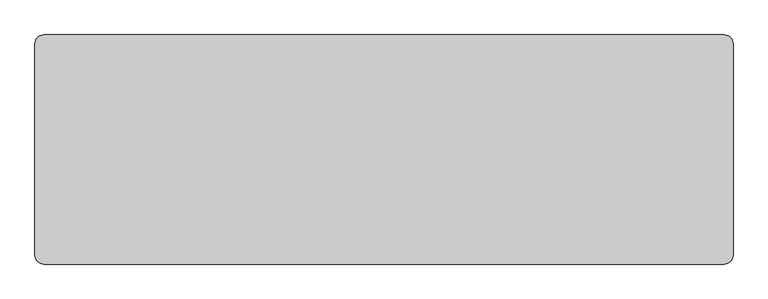
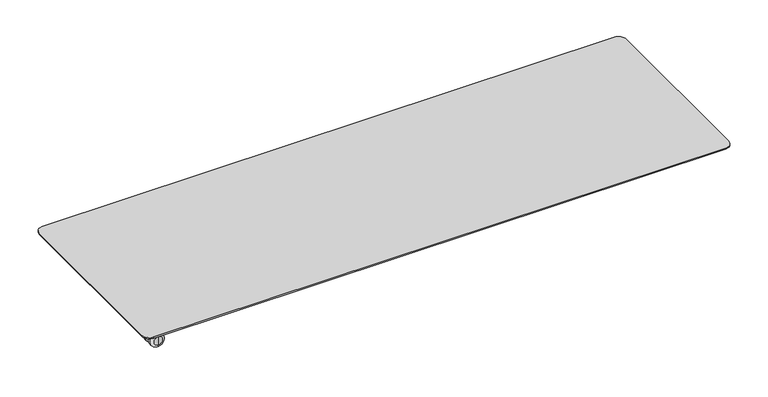
"""IFC4 building model written with IfcOpenShell, lengths in millimetres: furniture geometry."""

import ifcopenshell
import ifcopenshell.guid

model = None  # the IFC model being written
_history = None  # IfcOwnerHistory: only IFC2X3 demands one
_inside = {}  # id of a spatial element -> (the spatial element, [elements in it])
_under = {}  # id of a project, library or spatial element -> (it, [spatial elements below it])
_declared = {}  # id of a project -> (the project, [libraries it declares])
_typed = {}  # id of a type object -> (the type object, [elements of that type])
_made_of = {}  # id of a material, layer set ... -> (it, [elements and type objects made of it])


def new_model(schema):
    """Start an empty IFC model of exactly this schema.

    Asked for "IFC4X3", IfcOpenShell would pick the latest addendum, in which some entities
    have other attributes; the version numbers below select the first issue.
    IFC2X3 requires an IfcOwnerHistory on every rooted entity: one is made here for all.
    """
    global model, _history
    if schema == "IFC4X3":
        model = ifcopenshell.file(schema_version=(4, 3, 0, 0))
    else:
        model = ifcopenshell.file(schema=schema)
    _inside.clear()
    _under.clear()
    _declared.clear()
    _typed.clear()
    _made_of.clear()
    _history = None
    if model.schema == "IFC2X3":
        org = make("IfcOrganization", Name="unknown")
        user = make(
            "IfcPersonAndOrganization",
            ThePerson=make("IfcPerson", FamilyName="unknown"),
            TheOrganization=org,
        )
        app = make(
            "IfcApplication",
            ApplicationDeveloper=org,
            Version="unknown",
            ApplicationFullName="unknown",
            ApplicationIdentifier="unknown",
        )
        _history = make(
            "IfcOwnerHistory",
            OwningUser=user,
            OwningApplication=app,
            ChangeAction="ADDED",
            CreationDate=0,
        )
    return model


def make(cls, **values):
    """One entity of the class cls with the attributes given. An attribute that is None is left unset."""
    return model.create_entity(
        cls, **{name: value for name, value in values.items() if value is not None}
    )


def rooted(cls, **values):
    """An entity with a GlobalId (a new one), such as an element, a storey or a relation."""
    return make(cls, GlobalId=ifcopenshell.guid.new(), OwnerHistory=_history, **values)


def si_unit(unit_type, name, prefix=None):
    """IfcSIUnit, for example si_unit("LENGTHUNIT", "METRE", prefix="MILLI")."""
    return make("IfcSIUnit", UnitType=unit_type, Prefix=prefix, Name=name)


def assignment(units):
    """IfcUnitAssignment: the units of a project."""
    return None if units is None else make("IfcUnitAssignment", Units=units)


def point(xyz):
    """IfcCartesianPoint."""
    return None if xyz is None else make("IfcCartesianPoint", Coordinates=xyz)


def direction(xyz):
    """IfcDirection."""
    return None if xyz is None else make("IfcDirection", DirectionRatios=xyz)


def frame(location, z_axis=None, x_axis=None):
    """IfcAxis2Placement3D, a coordinate frame: its origin and axes. An axis left out is left unset."""
    return make(
        "IfcAxis2Placement3D",
        Location=point(location),
        Axis=direction(z_axis),
        RefDirection=direction(x_axis),
    )


def frame_2d(location, x_axis=None):
    """IfcAxis2Placement2D, a coordinate frame in the plane: its origin and x axis."""
    return make(
        "IfcAxis2Placement2D", Location=point(location), RefDirection=direction(x_axis)
    )


def origin():
    """The frame at (0, 0, 0) with its axes left unset."""
    return frame((0.0, 0.0, 0.0))


def place(relative_to, where):
    """IfcLocalPlacement: puts the frame where relative to a parent placement (None: the world)."""
    return make(
        "IfcLocalPlacement", PlacementRelTo=relative_to, RelativePlacement=where
    )


def context(
    kind, dimensions, precision=None, world=None, true_north=None, identifier=None
):
    """IfcGeometricRepresentationContext, for example the 3D "Model" context."""
    return make(
        "IfcGeometricRepresentationContext",
        ContextIdentifier=identifier,
        ContextType=kind,
        CoordinateSpaceDimension=dimensions,
        Precision=precision,
        WorldCoordinateSystem=world,
        TrueNorth=true_north,
    )


def project(units=None, contexts=None):
    """IfcProject with its units and contexts."""
    return rooted(
        "IfcProject",
        Name="project",
        RepresentationContexts=contexts,
        UnitsInContext=assignment(units),
    )


def spatial(cls, under=None, at=None, **own):
    """A site, building, storey or space (cls), placed at a placement, below another one or the project."""
    s = rooted(cls, ObjectPlacement=at, **own)
    if under is not None:
        _under.setdefault(under.id(), (under, []))[1].append(s)
    return s


def polyline(points):
    """IfcPolyline through the points."""
    return make("IfcPolyline", Points=[point(p) for p in points])


def circle_curve(where, radius):
    """IfcCircle in the frame where."""
    return make("IfcCircle", Position=where, Radius=radius)


def ellipse_curve(where, semi_axis1, semi_axis2):
    """IfcEllipse in the frame where."""
    return make(
        "IfcEllipse", Position=where, SemiAxis1=semi_axis1, SemiAxis2=semi_axis2
    )


def trimmed(basis, trim1, trim2, sense, master):
    """IfcTrimmedCurve: the piece of a basis curve between two trims."""
    return make(
        "IfcTrimmedCurve",
        BasisCurve=basis,
        Trim1=trim1,
        Trim2=trim2,
        SenseAgreement=sense,
        MasterRepresentation=master,
    )


def segment(curve, same_sense, transition):
    """IfcCompositeCurveSegment."""
    return make(
        "IfcCompositeCurveSegment",
        Transition=transition,
        SameSense=same_sense,
        ParentCurve=curve,
    )


def composite_curve(segments, self_intersect=None):
    """IfcCompositeCurve: segments joined end to end."""
    return make("IfcCompositeCurve", Segments=segments, SelfIntersect=self_intersect)


def outline(outer, holes=None, kind="AREA"):
    """IfcArbitraryClosedProfileDef: a profile drawn as a closed curve; with holes, ...WithVoids."""
    if holes is None:
        return make("IfcArbitraryClosedProfileDef", ProfileType=kind, OuterCurve=outer)
    return make(
        "IfcArbitraryProfileDefWithVoids",
        ProfileType=kind,
        OuterCurve=outer,
        InnerCurves=holes,
    )


def extrude(swept, where, along, depth):
    """IfcExtrudedAreaSolid: the profile swept, set in the frame where, extruded along a direction by depth."""
    return make(
        "IfcExtrudedAreaSolid",
        SweptArea=swept,
        Position=where,
        ExtrudedDirection=direction(along),
        Depth=depth,
    )


def shape(context_of_items, identifier, shape_type, items):
    """IfcShapeRepresentation: the items that make up one representation, for example the "Body"."""
    return make(
        "IfcShapeRepresentation",
        ContextOfItems=context_of_items,
        RepresentationIdentifier=identifier,
        RepresentationType=shape_type,
        Items=items,
    )


def source(mapping_origin, context_of_items, identifier, shape_type, items):
    """IfcRepresentationMap: a shape defined once, which mapped items show again and again."""
    return make(
        "IfcRepresentationMap",
        MappingOrigin=mapping_origin,
        MappedRepresentation=shape(context_of_items, identifier, shape_type, items),
    )


def transform(
    local_origin,
    x_axis=None,
    y_axis=None,
    z_axis=None,
    scale=None,
    scale2=None,
    scale3=None,
    uniform=True,
):
    """IfcCartesianTransformationOperator3D, or its non-uniform kind. x_axis, y_axis, z_axis: its Axis1, 2, 3."""
    if uniform:
        return make(
            "IfcCartesianTransformationOperator3D",
            Axis1=direction(x_axis),
            Axis2=direction(y_axis),
            LocalOrigin=point(local_origin),
            Scale=scale,
            Axis3=direction(z_axis),
        )
    return make(
        "IfcCartesianTransformationOperator3DnonUniform",
        Axis1=direction(x_axis),
        Axis2=direction(y_axis),
        LocalOrigin=point(local_origin),
        Scale=scale,
        Axis3=direction(z_axis),
        Scale2=scale2,
        Scale3=scale3,
    )


def mapped(mapping_source, mapping_target):
    """IfcMappedItem: shows the shape of a source again, moved by a transform."""
    return make(
        "IfcMappedItem", MappingSource=mapping_source, MappingTarget=mapping_target
    )


def made_of(thing, what):
    """Note that an element or type object is made of a material, layer set ...; save() writes the relation."""
    if what is not None:
        _made_of.setdefault(what.id(), (what, []))[1].append(thing)
    return thing


def element(
    cls,
    number,
    at=None,
    inside=None,
    cuts=None,
    type_object=None,
    material=None,
    context=None,
    identifier="Body",
    shape_type=None,
    held_by="IfcProductDefinitionShape",
    body=None,
    shapes=None,
    **own,
):
    """One element of the class cls, such as IfcWall. Its Tag is "e" and its number.

    at: its placement. inside: the storey or other place that contains it. cuts: it is an
    opening in that element (IfcRelVoidsElement). A single representation is given by context,
    identifier, shape_type and body (its items); several are given by shapes. held_by: the class
    of the entity that holds the representations. save() writes the other relations.
    """
    e = rooted(cls, Tag="e%d" % number, ObjectPlacement=at, **own)
    if body is not None:
        shapes = [shape(context, identifier, shape_type, body)]
    if shapes is not None:
        e.Representation = make(held_by, Representations=shapes)
    if inside is not None:
        _inside.setdefault(inside.id(), (inside, []))[1].append(e)
    if cuts is not None:
        rooted(
            "IfcRelVoidsElement", RelatingBuildingElement=cuts, RelatedOpeningElement=e
        )
    if type_object is not None:
        _typed.setdefault(type_object.id(), (type_object, []))[1].append(e)
    return made_of(e, material)


def aggregate(whole, parts):
    """IfcRelAggregates: a whole, such as a stair, and the parts it consists of."""
    return rooted("IfcRelAggregates", RelatingObject=whole, RelatedObjects=parts)


def save(model, path):
    """Write the relations noted so far, then the file.

    IfcRelAggregates (storeys below a building ...), IfcRelContainedInSpatialStructure (elements
    in a storey), IfcRelDefinesByType, IfcRelAssociatesMaterial and IfcRelDeclares: one each for
    every whole, place, type object, material and project.
    """
    for whole, parts in _under.values():
        aggregate(whole, parts)
    for where, things in _inside.values():
        rooted(
            "IfcRelContainedInSpatialStructure",
            RelatedElements=things,
            RelatingStructure=where,
        )
    for kind, things in _typed.values():
        rooted("IfcRelDefinesByType", RelatedObjects=things, RelatingType=kind)
    for what, things in _made_of.values():
        rooted("IfcRelAssociatesMaterial", RelatedObjects=things, RelatingMaterial=what)
    for by, libraries in _declared.values():
        rooted("IfcRelDeclares", RelatingContext=by, RelatedDefinitions=libraries)
    model.write(path)


def plane_surface(at):
    """IfcPlane: the flat surface through the origin of the frame at, square to its z axis."""
    return make("IfcPlane", Position=at)


def cylinder_surface(at, radius):
    """IfcCylindricalSurface: all points at the distance radius from the z axis of the frame at."""
    return make("IfcCylindricalSurface", Position=at, Radius=radius)


def revolved_surface(curve, axis_point, axis_direction):
    """IfcSurfaceOfRevolution: the curve turned about the line through axis_point along axis_direction."""
    return make(
        "IfcSurfaceOfRevolution",
        SweptCurve=make("IfcArbitraryOpenProfileDef", ProfileType="CURVE", Curve=curve),
        AxisPosition=make("IfcAxis1Placement", Location=point(axis_point), Axis=direction(axis_direction)),
    )


def advanced_brep(points, edges, surfaces, faces):
    """IfcAdvancedBrep: a solid bounded by faces that lie on surfaces and meet in shared edges.

    An edge is (start, end): straight between two places in points (the first is 0);
    or (start, end, curve); or (start, end, curve, False) where it runs against its curve.
    A face is (place in surfaces, loops), or (place, loops, False) where it looks against
    its surface's normal. A loop lists edges by number (the first is 1), with a minus sign
    where the edge is run from its end to its start. The first loop is the outer one.
    """
    corners = [point(p) for p in points]
    vertices = [make("IfcVertexPoint", VertexGeometry=c) for c in corners]
    made = []
    for start, end, *more in edges:
        made.append(
            make(
                "IfcEdgeCurve",
                EdgeStart=vertices[start],
                EdgeEnd=vertices[end],
                EdgeGeometry=more[0] if more else make("IfcPolyline", Points=[corners[start], corners[end]]),
                SameSense=more[1] if len(more) > 1 else True,
            )
        )
    hull = []
    for where, loops, *sense in faces:
        bounds = []
        for j, loop in enumerate(loops):
            ring = [make("IfcOrientedEdge", EdgeElement=made[abs(k) - 1], Orientation=k > 0) for k in loop]
            bounds.append(
                make(
                    "IfcFaceOuterBound" if j == 0 else "IfcFaceBound",
                    Bound=make("IfcEdgeLoop", EdgeList=ring),
                    Orientation=True,
                )
            )
        hull.append(make("IfcAdvancedFace", Bounds=bounds, FaceSurface=surfaces[where], SameSense=sense[0] if sense else True))
    return make("IfcAdvancedBrep", Outer=make("IfcClosedShell", CfsFaces=hull))


def furniture_0a2761ed(model_context):
    return source(origin(), model_context, "Body", "SolidModel", [
        advanced_brep(
        [(-695.0057698, -244.8998219, 6.35), (-695.0057698, -244.8998219, 29.650001), (-695.0057698, -244.8998219, 18.0000005), (-695.0057698, -251.2498219, 0.0), (-695.0057698, -251.2498219, 36.000001), (-695.0057698, -256.8998207, 0.0), (-695.0057698, -256.8998207, 36.000001), (-695.0057698, -256.8998207, 11.0000008), (-695.0057698, -256.8998207, 25.0000002), (-695.0057698, -270.8998246, 11.0000008), (-695.0057698, -270.8998246, 25.0000002), (-695.0057698, -270.8998246, 0.0), (-695.0057698, -270.8998246, 36.000001), (-695.0057698, -276.5498189, 0.0), (-695.0057698, -276.5498189, 36.000001), (-695.0057698, -282.8998189, 6.35), (-695.0057698, -282.8998189, 29.650001), (-695.0057698, -282.8998189, 18.0000005)],
        [
            (0, 1, circle_curve(frame((-695.0057698, -244.8998219, 18.0000005), z_axis=(0.0, 1.0, 0.0), x_axis=(0.0, 0.0, 1.0)), 11.6500005)),
            (1, 2),
            (2, 0),
            (1, 0, circle_curve(frame((-695.0057698, -244.8998219, 18.0000005), z_axis=(0.0, 1.0, 0.0), x_axis=(0.0, 0.0, 1.0)), 11.6500005)),
            (3, 4, circle_curve(frame((-695.0057698, -251.2498219, 18.0000005), z_axis=(0.0, 1.0, 0.0), x_axis=(0.0, 0.0, 1.0)), 18.0000005)),
            (4, 1, circle_curve(frame((-695.0057698, -251.2498219, 29.650001), z_axis=(-1.0, 0.0, 0.0), x_axis=(0.0, 1.0, 0.0)), 6.35)),
            (0, 3, circle_curve(frame((-695.0057698, -251.2498219, 6.35), z_axis=(-1.0, 0.0, 0.0), x_axis=(0.0, 1.0, 0.0)), 6.35)),
            (4, 3, circle_curve(frame((-695.0057698, -251.2498219, 18.0000005), z_axis=(0.0, 1.0, 0.0), x_axis=(0.0, 0.0, 1.0)), 18.0000005)),
            (5, 6, circle_curve(frame((-695.0057698, -256.8998207, 18.0000005), z_axis=(0.0, 1.0, 0.0), x_axis=(0.0, 0.0, 1.0)), 18.0000005)),
            (6, 4),
            (3, 5),
            (6, 5, circle_curve(frame((-695.0057698, -256.8998207, 18.0000005), z_axis=(0.0, 1.0, 0.0), x_axis=(0.0, 0.0, 1.0)), 18.0000005)),
            (7, 8, circle_curve(frame((-695.0057698, -256.8998207, 18.0000005), z_axis=(0.0, 1.0, 0.0), x_axis=(0.0, 0.0, 1.0)), 6.9999997)),
            (8, 6),
            (5, 7),
            (8, 7, circle_curve(frame((-695.0057698, -256.8998207, 18.0000005), z_axis=(0.0, 1.0, 0.0), x_axis=(0.0, 0.0, 1.0)), 6.9999997)),
            (9, 10, circle_curve(frame((-695.0057698, -270.8998246, 18.0000005), z_axis=(0.0, 1.0, 0.0), x_axis=(0.0, 0.0, 1.0)), 6.9999997)),
            (10, 8),
            (7, 9),
            (10, 9, circle_curve(frame((-695.0057698, -270.8998246, 18.0000005), z_axis=(0.0, 1.0, 0.0), x_axis=(0.0, 0.0, 1.0)), 6.9999997)),
            (11, 12, circle_curve(frame((-695.0057698, -270.8998246, 18.0000005), z_axis=(0.0, 1.0, 0.0), x_axis=(0.0, 0.0, 1.0)), 18.0000005)),
            (12, 10),
            (9, 11),
            (12, 11, circle_curve(frame((-695.0057698, -270.8998246, 18.0000005), z_axis=(0.0, 1.0, 0.0), x_axis=(0.0, 0.0, 1.0)), 18.0000005)),
            (13, 14, circle_curve(frame((-695.0057698, -276.5498189, 18.0000005), z_axis=(0.0, 1.0, 0.0), x_axis=(0.0, 0.0, 1.0)), 18.0000005)),
            (14, 12),
            (11, 13),
            (14, 13, circle_curve(frame((-695.0057698, -276.5498189, 18.0000005), z_axis=(0.0, 1.0, 0.0), x_axis=(0.0, 0.0, 1.0)), 18.0000005)),
            (15, 16, circle_curve(frame((-695.0057698, -282.8998189, 18.0000005), z_axis=(0.0, 1.0, 0.0), x_axis=(0.0, 0.0, 1.0)), 11.6500005)),
            (16, 14, circle_curve(frame((-695.0057698, -276.5498189, 29.650001), z_axis=(-1.0, 0.0, 0.0), x_axis=(0.0, 1.0, 0.0)), 6.35)),
            (13, 15, circle_curve(frame((-695.0057698, -276.5498189, 6.35), z_axis=(-1.0, 0.0, 0.0), x_axis=(0.0, 1.0, 0.0)), 6.35)),
            (16, 15, circle_curve(frame((-695.0057698, -282.8998189, 18.0000005), z_axis=(0.0, 1.0, 0.0), x_axis=(0.0, 0.0, 1.0)), 11.6500005)),
            (17, 16),
            (15, 17),
        ],
        [
            plane_surface(frame((-695.0057698, -244.8998219, 18.0000005), z_axis=(0.0, 1.0, 0.0), x_axis=(0.0, 0.0, 1.0))),
            revolved_surface(trimmed(ellipse_curve(frame((-695.0057698, -251.2498219, 29.650001), z_axis=(1.0, 0.0, 0.0), x_axis=(0.0, 1.0, 0.0)), 6.35, 6.35), [point((-695.0057698, -244.8998219, 29.650001))], [point((-695.0057698, -251.2498219, 36.000001))], True, "CARTESIAN"), (-695.0057698, -320.9998189, 18.0000005), (0.0, -1.0, 0.0)),
            cylinder_surface(frame((-695.0057698, -320.9998189, 18.0000005), z_axis=(0.0, -1.0, 0.0), x_axis=(0.0, 0.0, 1.0)), 18.0000005),
            plane_surface(frame((-695.0057698, -256.8998207, 18.0000005), z_axis=(0.0, -1.0, 0.0), x_axis=(0.0, 0.0, 1.0))),
            cylinder_surface(frame((-695.0057698, -320.9998189, 18.0000005), z_axis=(0.0, -1.0, 0.0), x_axis=(0.0, 0.0, 1.0)), 6.9999997),
            plane_surface(frame((-695.0057698, -270.8998246, 18.0000005), z_axis=(0.0, 1.0, 0.0), x_axis=(0.0, 0.0, 1.0))),
            revolved_surface(trimmed(ellipse_curve(frame((-695.0057698, -276.5498189, 29.650001), z_axis=(1.0, 0.0, 0.0), x_axis=(0.0, 1.0, 0.0)), 6.35, 6.35), [point((-695.0057698, -276.5498189, 36.000001))], [point((-695.0057698, -282.8998189, 29.650001))], True, "CARTESIAN"), (-695.0057698, -320.9998189, 18.0000005), (0.0, -1.0, 0.0)),
            plane_surface(frame((-695.0057698, -282.8998189, 18.0000005), z_axis=(0.0, -1.0, 0.0), x_axis=(0.0, 0.0, 1.0))),
        ],
        [
            (0, [[1, 2, 3]]),
            (0, [[4, -3, -2]]),
            (1, [[5, 6, -1, 7]]),
            (1, [[8, -7, -4, -6]]),
            (2, [[9, 10, -5, 11]]),
            (2, [[12, -11, -8, -10]]),
            (3, [[13, 14, -9, 15]]),
            (3, [[16, -15, -12, -14]]),
            (4, [[17, 18, -13, 19]]),
            (4, [[20, -19, -16, -18]]),
            (5, [[21, 22, -17, 23]]),
            (5, [[24, -23, -20, -22]]),
            (2, [[25, 26, -21, 27]]),
            (2, [[28, -27, -24, -26]]),
            (6, [[29, 30, -25, 31]]),
            (6, [[32, -31, -28, -30]]),
            (7, [[33, -29, 34]]),
            (7, [[-34, -32, -33]]),
        ],
    ),
        extrude(outline(composite_curve([segment(polyline([(-695.7695, 142.9271143), (695.7695, 142.9271143)]), True, "CONTINUOUS"), segment(trimmed(circle_curve(frame_2d((695.7695, 123.8771143)), 19.05), [point((695.7695, 142.9271143))], [point((714.8195, 123.8771143))], False, "CARTESIAN"), True, "CONTINUOUS"), segment(polyline([(714.8195, 123.8771143), (714.8195, -268.0228972)]), True, "CONTINUOUS"), segment(trimmed(circle_curve(frame_2d((695.7695, -268.0228972)), 19.05), [point((714.8195, -268.0228972))], [point((695.7695, -287.0728972))], False, "CARTESIAN"), True, "CONTINUOUS"), segment(polyline([(695.7695, -287.0728972), (-695.7695, -287.0728972)]), True, "CONTINUOUS"), segment(trimmed(circle_curve(frame_2d((-695.7695, -268.0228972)), 19.05), [point((-695.7695, -287.0728972))], [point((-714.8195, -268.0228972))], False, "CARTESIAN"), True, "CONTINUOUS"), segment(polyline([(-714.8195, -268.0228972), (-714.8195, 123.8771143)]), True, "CONTINUOUS"), segment(trimmed(circle_curve(frame_2d((-695.7695, 123.8771143)), 19.05), [point((-714.8195, 123.8771143))], [point((-695.7695, 142.9271143))], False, "CARTESIAN"), True, "CONTINUOUS")], self_intersect=False)), frame((0.0, 0.0, 36.322), z_axis=(0.0, 0.0, 1.0), x_axis=(1.0, 0.0, 0.0)), (0.0, 0.0, 1.0), 20.6756),
        extrude(outline(composite_curve([segment(trimmed(circle_curve(frame_2d((725.932, 153.8601153)), 19.05), [point((725.932, 172.9101153))], [point((744.982, 153.8601153))], False, "CARTESIAN"), True, "CONTINUOUS"), segment(polyline([(744.982, 153.8601153), (744.982, -298.0058847)]), True, "CONTINUOUS"), segment(trimmed(circle_curve(frame_2d((725.932, -298.0058847)), 19.05), [point((744.982, -298.0058847))], [point((725.932, -317.0558847))], False, "CARTESIAN"), True, "CONTINUOUS"), segment(polyline([(725.932, -317.0558847), (-725.932, -317.0558847)]), True, "CONTINUOUS"), segment(trimmed(circle_curve(frame_2d((-725.932, -298.0058847)), 19.05), [point((-725.932, -317.0558847))], [point((-744.982, -298.0058847))], False, "CARTESIAN"), True, "CONTINUOUS"), segment(polyline([(-744.982, -298.0058847), (-744.982, 153.8601153)]), True, "CONTINUOUS"), segment(trimmed(circle_curve(frame_2d((-725.932, 153.8601153)), 19.05), [point((-744.982, 153.8601153))], [point((-725.932, 172.9101153))], False, "CARTESIAN"), True, "CONTINUOUS"), segment(polyline([(-725.932, 172.9101153), (725.932, 172.9101153)]), True, "CONTINUOUS")], self_intersect=False)), frame((0.0, 0.0, 56.9976), z_axis=(0.0, 0.0, 1.0), x_axis=(1.0, 0.0, 0.0)), (0.0, 0.0, 1.0), 2.9999986),
    ])


if __name__ == "__main__":
    model = new_model("IFC4")
    model_context = context("Model", 3, world=origin())
    ifc_project = project(units=[si_unit("LENGTHUNIT", "METRE", prefix="MILLI")], contexts=[model_context])
    site = spatial("IfcSite", under=ifc_project)
    building = spatial("IfcBuilding", under=site)
    placement = place(None, origin())
    furniture_shape = furniture_0a2761ed(model_context)
    element("IfcFurniture", 1, at=placement, inside=building, context=model_context, shape_type="MappedRepresentation", body=[
        mapped(furniture_shape, transform((0.0, 0.0, 0.0), x_axis=(1.0, 0.0, 0.0), y_axis=(0.0, 1.0, 0.0), z_axis=(0.0, 0.0, 1.0))),
    ])
    save(model, "model.ifc")
